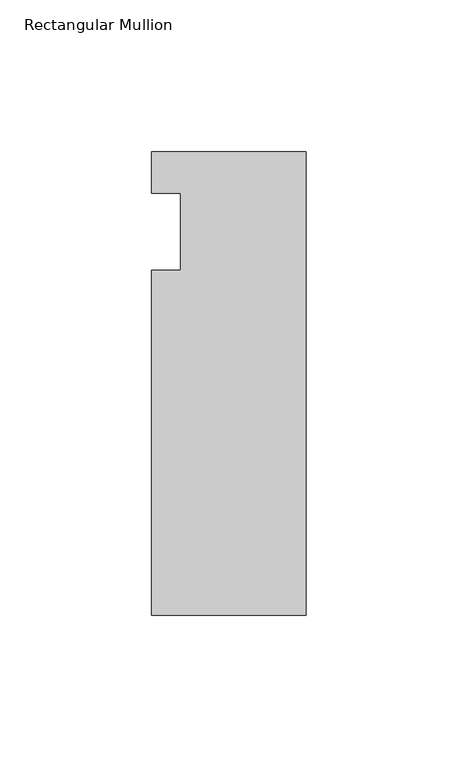
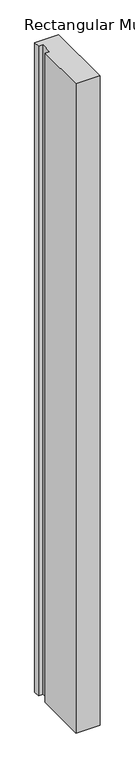
"""IFC4 building model written with IfcOpenShell, lengths in millimetres: member geometry, Rectangular Mullion."""

from ifc_helpers import new_model, si_unit, frame, origin, place, context, project, spatial, polyline, outline, extrude, source, transform, mapped, element, save


def rectangular_mullion_026b161f(model_context):
    return source(origin(), model_context, "Body", "SweptSolid", [
        extrude(outline(polyline([(0.0, 26.19375), (0.0, -126.20625), (-50.8, -126.20625), (-50.8, -12.7), (-41.275, -12.7), (-41.275, 12.7), (-50.8, 12.7), (-50.8, 26.19375), (0.0, 26.19375)])), frame((0.0, 0.0, -1460.4923531), z_axis=(0.0, 0.0, 1.0), x_axis=(1.0, 0.0, 0.0)), (0.0, 0.0, 1.0), 1460.4923531),
    ])


if __name__ == "__main__":
    model = new_model("IFC4")
    model_context = context("Model", 3, world=origin())
    ifc_project = project(units=[si_unit("LENGTHUNIT", "METRE", prefix="MILLI")], contexts=[model_context])
    site = spatial("IfcSite", under=ifc_project)
    building = spatial("IfcBuilding", under=site)
    placement = place(None, origin())
    rectangular_mullion_shape = rectangular_mullion_026b161f(model_context)
    element("IfcMember", 1, ObjectType="Rectangular Mullion", at=placement, inside=building, context=model_context, shape_type="MappedRepresentation", body=[
        mapped(rectangular_mullion_shape, transform((0.0, 0.0, 0.0), x_axis=(1.0, 0.0, 0.0), y_axis=(0.0, 1.0, 0.0), z_axis=(0.0, 0.0, 1.0))),
    ])
    save(model, "model.ifc")
